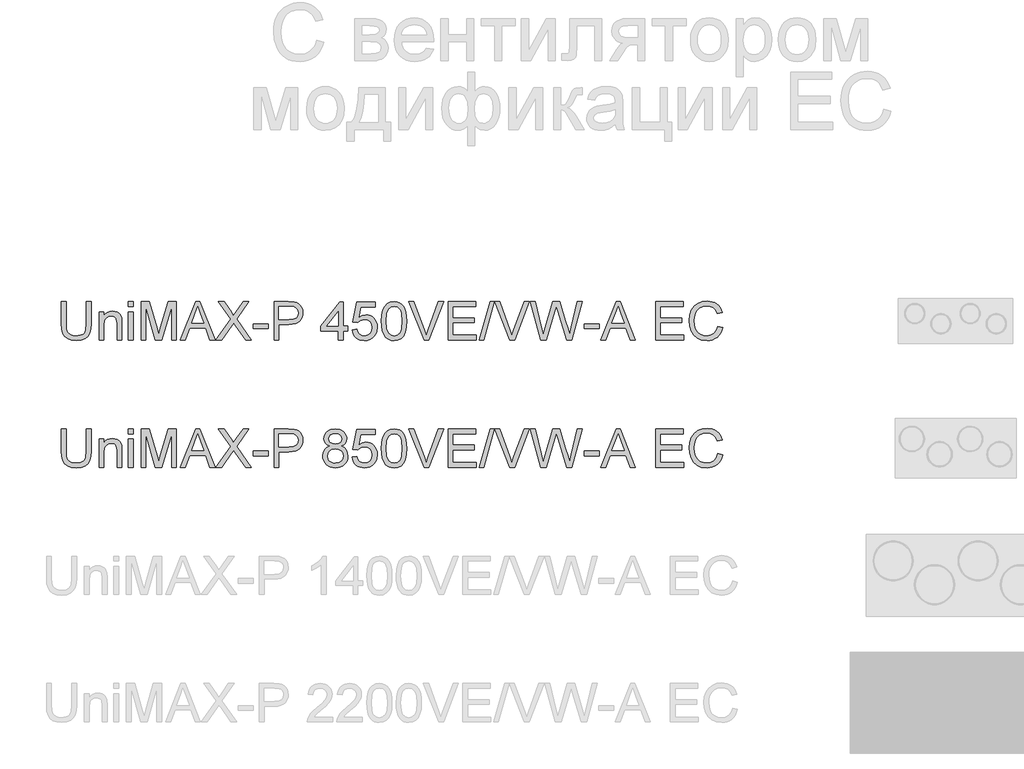
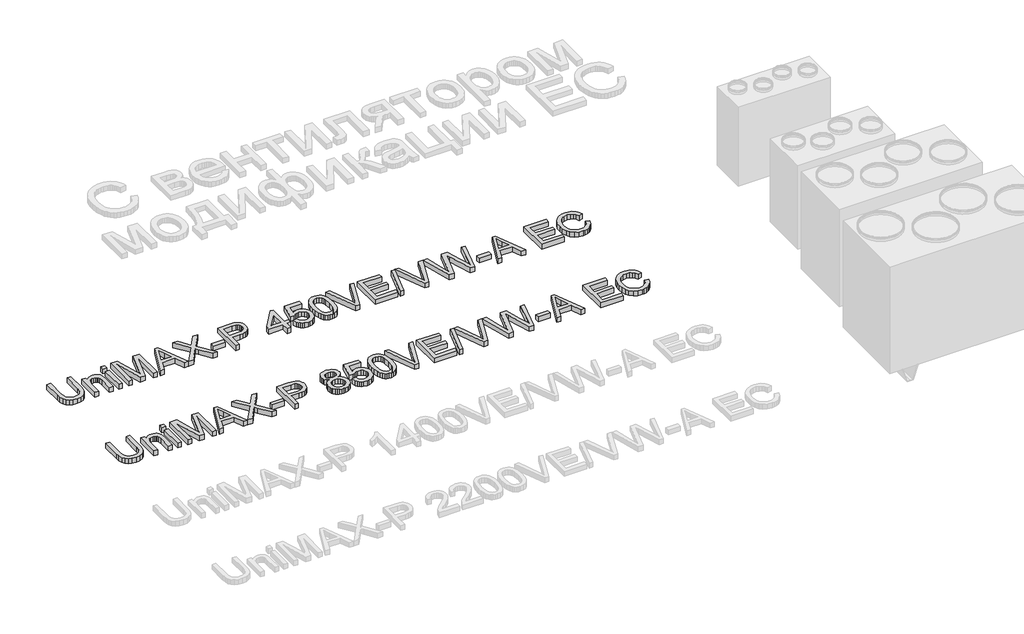
# One storey, part 3 of 74: 2 proxies.
"""IFC4 building model written with IfcOpenShell, lengths in millimetres."""

import ifcopenshell
import ifcopenshell.guid

model = None  # the IFC model being written
_history = None  # IfcOwnerHistory: only IFC2X3 demands one
_inside = {}  # id of a spatial element -> (the spatial element, [elements in it])
_under = {}  # id of a project, library or spatial element -> (it, [spatial elements below it])
_declared = {}  # id of a project -> (the project, [libraries it declares])
_typed = {}  # id of a type object -> (the type object, [elements of that type])
_made_of = {}  # id of a material, layer set ... -> (it, [elements and type objects made of it])


def new_model(schema):
    """Start an empty IFC model of exactly this schema.

    Asked for "IFC4X3", IfcOpenShell would pick the latest addendum, in which some entities
    have other attributes; the version numbers below select the first issue.
    IFC2X3 requires an IfcOwnerHistory on every rooted entity: one is made here for all.
    """
    global model, _history
    if schema == "IFC4X3":
        model = ifcopenshell.file(schema_version=(4, 3, 0, 0))
    else:
        model = ifcopenshell.file(schema=schema)
    _inside.clear()
    _under.clear()
    _declared.clear()
    _typed.clear()
    _made_of.clear()
    _history = None
    if model.schema == "IFC2X3":
        org = make("IfcOrganization", Name="unknown")
        user = make(
            "IfcPersonAndOrganization",
            ThePerson=make("IfcPerson", FamilyName="unknown"),
            TheOrganization=org,
        )
        app = make(
            "IfcApplication",
            ApplicationDeveloper=org,
            Version="unknown",
            ApplicationFullName="unknown",
            ApplicationIdentifier="unknown",
        )
        _history = make(
            "IfcOwnerHistory",
            OwningUser=user,
            OwningApplication=app,
            ChangeAction="ADDED",
            CreationDate=0,
        )
    return model


def make(cls, **values):
    """One entity of the class cls with the attributes given. An attribute that is None is left unset."""
    return model.create_entity(
        cls, **{name: value for name, value in values.items() if value is not None}
    )


def rooted(cls, **values):
    """An entity with a GlobalId (a new one), such as an element, a storey or a relation."""
    return make(cls, GlobalId=ifcopenshell.guid.new(), OwnerHistory=_history, **values)


def si_unit(unit_type, name, prefix=None):
    """IfcSIUnit, for example si_unit("LENGTHUNIT", "METRE", prefix="MILLI")."""
    return make("IfcSIUnit", UnitType=unit_type, Prefix=prefix, Name=name)


def assignment(units):
    """IfcUnitAssignment: the units of a project."""
    return None if units is None else make("IfcUnitAssignment", Units=units)


def point(xyz):
    """IfcCartesianPoint."""
    return None if xyz is None else make("IfcCartesianPoint", Coordinates=xyz)


def direction(xyz):
    """IfcDirection."""
    return None if xyz is None else make("IfcDirection", DirectionRatios=xyz)


def frame(location, z_axis=None, x_axis=None):
    """IfcAxis2Placement3D, a coordinate frame: its origin and axes. An axis left out is left unset."""
    return make(
        "IfcAxis2Placement3D",
        Location=point(location),
        Axis=direction(z_axis),
        RefDirection=direction(x_axis),
    )


def origin():
    """The frame at (0, 0, 0) with its axes left unset."""
    return frame((0.0, 0.0, 0.0))


def origin_with_axes():
    """The frame at (0, 0, 0) with the z axis (0, 0, 1) and the x axis (1, 0, 0) written out."""
    return frame((0.0, 0.0, 0.0), z_axis=(0.0, 0.0, 1.0), x_axis=(1.0, 0.0, 0.0))


def place(relative_to, where):
    """IfcLocalPlacement: puts the frame where relative to a parent placement (None: the world)."""
    return make(
        "IfcLocalPlacement", PlacementRelTo=relative_to, RelativePlacement=where
    )


def context(
    kind, dimensions, precision=None, world=None, true_north=None, identifier=None
):
    """IfcGeometricRepresentationContext, for example the 3D "Model" context."""
    return make(
        "IfcGeometricRepresentationContext",
        ContextIdentifier=identifier,
        ContextType=kind,
        CoordinateSpaceDimension=dimensions,
        Precision=precision,
        WorldCoordinateSystem=world,
        TrueNorth=true_north,
    )


def project(units=None, contexts=None):
    """IfcProject with its units and contexts."""
    return rooted(
        "IfcProject",
        Name="project",
        RepresentationContexts=contexts,
        UnitsInContext=assignment(units),
    )


def spatial(cls, under=None, at=None, **own):
    """A site, building, storey or space (cls), placed at a placement, below another one or the project."""
    s = rooted(cls, ObjectPlacement=at, **own)
    if under is not None:
        _under.setdefault(under.id(), (under, []))[1].append(s)
    return s


def polyline(points):
    """IfcPolyline through the points."""
    return make("IfcPolyline", Points=[point(p) for p in points])


def outline(outer, holes=None, kind="AREA"):
    """IfcArbitraryClosedProfileDef: a profile drawn as a closed curve; with holes, ...WithVoids."""
    if holes is None:
        return make("IfcArbitraryClosedProfileDef", ProfileType=kind, OuterCurve=outer)
    return make(
        "IfcArbitraryProfileDefWithVoids",
        ProfileType=kind,
        OuterCurve=outer,
        InnerCurves=holes,
    )


def extrude(swept, where, along, depth):
    """IfcExtrudedAreaSolid: the profile swept, set in the frame where, extruded along a direction by depth."""
    return make(
        "IfcExtrudedAreaSolid",
        SweptArea=swept,
        Position=where,
        ExtrudedDirection=direction(along),
        Depth=depth,
    )


def shape(context_of_items, identifier, shape_type, items):
    """IfcShapeRepresentation: the items that make up one representation, for example the "Body"."""
    return make(
        "IfcShapeRepresentation",
        ContextOfItems=context_of_items,
        RepresentationIdentifier=identifier,
        RepresentationType=shape_type,
        Items=items,
    )


def made_of(thing, what):
    """Note that an element or type object is made of a material, layer set ...; save() writes the relation."""
    if what is not None:
        _made_of.setdefault(what.id(), (what, []))[1].append(thing)
    return thing


def element(
    cls,
    number,
    at=None,
    inside=None,
    cuts=None,
    type_object=None,
    material=None,
    context=None,
    identifier="Body",
    shape_type=None,
    held_by="IfcProductDefinitionShape",
    body=None,
    shapes=None,
    **own,
):
    """One element of the class cls, such as IfcWall. Its Tag is "e" and its number.

    at: its placement. inside: the storey or other place that contains it. cuts: it is an
    opening in that element (IfcRelVoidsElement). A single representation is given by context,
    identifier, shape_type and body (its items); several are given by shapes. held_by: the class
    of the entity that holds the representations. save() writes the other relations.
    """
    e = rooted(cls, Tag="e%d" % number, ObjectPlacement=at, **own)
    if body is not None:
        shapes = [shape(context, identifier, shape_type, body)]
    if shapes is not None:
        e.Representation = make(held_by, Representations=shapes)
    if inside is not None:
        _inside.setdefault(inside.id(), (inside, []))[1].append(e)
    if cuts is not None:
        rooted(
            "IfcRelVoidsElement", RelatingBuildingElement=cuts, RelatedOpeningElement=e
        )
    if type_object is not None:
        _typed.setdefault(type_object.id(), (type_object, []))[1].append(e)
    return made_of(e, material)


def aggregate(whole, parts):
    """IfcRelAggregates: a whole, such as a stair, and the parts it consists of."""
    return rooted("IfcRelAggregates", RelatingObject=whole, RelatedObjects=parts)


def save(model, path):
    """Write the relations noted so far, then the file.

    IfcRelAggregates (storeys below a building ...), IfcRelContainedInSpatialStructure (elements
    in a storey), IfcRelDefinesByType, IfcRelAssociatesMaterial and IfcRelDeclares: one each for
    every whole, place, type object, material and project.
    """
    for whole, parts in _under.values():
        aggregate(whole, parts)
    for where, things in _inside.values():
        rooted(
            "IfcRelContainedInSpatialStructure",
            RelatedElements=things,
            RelatingStructure=where,
        )
    for kind, things in _typed.values():
        rooted("IfcRelDefinesByType", RelatedObjects=things, RelatingType=kind)
    for what, things in _made_of.values():
        rooted("IfcRelAssociatesMaterial", RelatedObjects=things, RelatingMaterial=what)
    for by, libraries in _declared.values():
        rooted("IfcRelDeclares", RelatingContext=by, RelatedDefinitions=libraries)
    model.write(path)


model = new_model("IFC4")

# Units and contexts
model_context = context("Model", 3, world=origin())
ifc_project = project(units=[si_unit("LENGTHUNIT", "METRE", prefix="MILLI")], contexts=[model_context])

# Site, building, storey
site = spatial("IfcSite", under=ifc_project)
building = spatial("IfcBuilding", under=site)
storey = spatial("IfcBuildingStorey", under=building, Elevation=0.0)

# Proxies
placement = place(None, origin())
element("IfcBuildingElementProxy", 1, Name="Generic Models", at=placement, inside=storey, context=model_context, shape_type="SweptSolid", body=[
    extrude(outline(polyline([(11655.8927797, -35731.9528304), (11693.563896, -35731.9528304), (11693.563896, -35905.8138613), (11691.0071161, -35946.5292011), (11683.3367765, -35977.8819441), (11669.0077728, -36002.0701853), (11646.4750006, -36021.2920196), (11615.6832776, -36033.8459926), (11576.5774215, -36038.0306503), (11538.3268911, -36034.3886186), (11507.7467002, -36023.4625233), (11484.8276519, -36005.6294436), (11469.5605491, -35981.2664585), (11460.9797016, -35948.5893403), (11458.1194191, -35905.8138613), (11458.1194191, -35731.9528304), (11495.7905354, -35731.9528304), (11495.7905354, -35904.4894861), (11497.6483395, -35938.3438267), (11503.2217517, -35961.9158655), (11513.3201125, -35978.2406291), (11528.7527622, -35990.3531438), (11548.8759073, -35997.8579365), (11573.0457544, -36000.359534), (11611.3606642, -35995.4115212), (11625.7034635, -35989.2265052), (11636.8364923, -35980.5674827), (11645.1736181, -35968.3905887), (11651.1287079, -35951.6519579), (11655.8927797, -35904.4894861), (11655.8927797, -35731.9528304)])), origin_with_axes(), (0.0, 0.0, 1.0), 50.0),
    extrude(outline(polyline([(11754.77946, -36033.3217608), (11754.77946, -35812.0039525), (11792.4505763, -35812.0039525), (11792.4505763, -35842.9060401), (11805.5379783, -35827.3262376), (11821.2557365, -35816.1978072), (11839.603851, -35809.520749), (11860.5823218, -35807.295063), (11879.1511655, -35809.0884877), (11896.1565107, -35814.4687619), (11910.3383617, -35822.7645009), (11920.4367224, -35833.30432), (11931.7306997, -35861.0058343), (11933.7172625, -35897.4261518), (11933.7172625, -36033.3217608), (11896.0461462, -36033.3217608), (11896.0461462, -35902.5029233), (11891.7051386, -35869.1728146), (11885.699465, -35859.2491977), (11876.3644594, -35851.551267), (11864.3990975, -35846.6124512), (11850.5023551, -35844.9661793), (11828.4386325, -35848.6633933), (11809.6306655, -35859.7550355), (11802.1143765, -35868.8095311), (11796.7455986, -35881.1841617), (11792.4505763, -35915.8938279), (11792.4505763, -36033.3217608), (11754.77946, -36033.3217608)])), origin_with_axes(), (0.0, 0.0, 1.0), 50.0),
    extrude(outline(polyline([(11985.5150474, -36033.3217608), (11985.5150474, -35812.0039525), (12023.1861637, -35812.0039525), (12023.1861637, -36033.3217608), (11985.5150474, -36033.3217608)])), origin_with_axes(), (0.0, 0.0, 1.0), 50.0),
    extrude(outline(polyline([(11985.5150474, -35769.6239467), (11985.5150474, -35731.9528304), (12023.1861637, -35731.9528304), (12023.1861637, -35769.6239467), (11985.5150474, -35769.6239467)])), origin_with_axes(), (0.0, 0.0, 1.0), 50.0),
    extrude(outline(polyline([(12084.4017277, -36033.3217608), (12084.4017277, -35731.9528304), (12149.2225352, -35731.9528304), (12210.8795576, -35944.3678944), (12223.3139691, -35988.734463), (12236.7784501, -35940.6890744), (12297.4054029, -35731.9528304), (12362.2262104, -35731.9528304), (12362.2262104, -36033.3217608), (12324.5550941, -36033.3217608), (12324.5550941, -35769.6239467), (12248.8449795, -36033.3217608), (12197.7829586, -36033.3217608), (12122.072844, -35769.6239467), (12122.072844, -36033.3217608), (12084.4017277, -36033.3217608)])), origin_with_axes(), (0.0, 0.0, 1.0), 50.0),
    extrude(outline(polyline([(12393.0547216, -36033.3217608), (12513.3521341, -35731.9528304), (12545.431444, -35731.9528304), (12665.7288565, -36033.3217608), (12625.9240246, -36033.3217608), (12591.4166934, -35939.14397), (12467.2933083, -35939.14397), (12432.8595535, -36033.3217608), (12393.0547216, -36033.3217608)]), holes=[polyline([(12481.1256713, -35901.4728537), (12577.6579068, -35901.4728537), (12550.5082156, -35827.3814199), (12529.391789, -35769.6239467), (12510.6298073, -35820.9066968), (12481.1256713, -35901.4728537)])]), origin_with_axes(), (0.0, 0.0, 1.0), 50.0),
    extrude(outline(polyline([(12673.01292, -36033.3217608), (12789.190054, -35869.0992382), (12691.8484781, -35731.9528304), (12737.0243871, -35731.9528304), (12791.8388044, -35809.1344729), (12810.3064806, -35839.2272201), (12831.9379419, -35808.6194381), (12886.163748, -35731.9528304), (12932.0018446, -35731.9528304), (12834.6602686, -35869.5406965), (12950.8374027, -36033.3217608), (12905.6614937, -36033.3217608), (12828.2591219, -35924.1343846), (12812.1458905, -35901.4728537), (12794.4139784, -35926.3416766), (12718.8510166, -36033.3217608), (12673.01292, -36033.3217608)])), origin_with_axes(), (0.0, 0.0, 1.0), 50.0),
    extrude(outline(polyline([(12964.9640713, -35943.8528596), (12964.9640713, -35906.1817433), (13082.6863098, -35906.1817433), (13082.6863098, -35943.8528596), (12964.9640713, -35943.8528596)])), origin_with_axes(), (0.0, 0.0, 1.0), 50.0),
    extrude(outline(polyline([(13129.7752052, -36033.3217608), (13129.7752052, -35731.9528304), (13241.4641789, -35731.9528304), (13286.4929351, -35734.8223099), (13306.570095, -35740.18419), (13323.0971936, -35748.9121903), (13336.4053248, -35761.4017841), (13346.8255823, -35778.0484443), (13353.5578228, -35797.6841458), (13355.801903, -35819.1408632), (13354.286689, -35837.640729), (13349.7410471, -35854.6598698), (13342.1649773, -35870.1982856), (13331.5584795, -35884.2559764), (13316.9972503, -35895.9086386), (13297.5569861, -35904.2319687), (13273.237687, -35909.2259668), (13244.0393529, -35910.8906328), (13167.4463215, -35910.8906328), (13167.4463215, -36033.3217608), (13129.7752052, -36033.3217608)]), holes=[polyline([(13167.4463215, -35873.2195165), (13246.2466448, -35873.2195165), (13279.65033, -35869.7614257), (13301.7232497, -35859.3871535), (13314.0289025, -35842.7404932), (13318.1307867, -35820.4652384), (13315.7119626, -35803.5426666), (13308.4554902, -35789.2688452), (13297.2626805, -35778.5266909), (13283.0348444, -35772.1991206), (13245.3637281, -35769.6239467), (13167.4463215, -35769.6239467), (13167.4463215, -35873.2195165)])]), origin_with_axes(), (0.0, 0.0, 1.0), 50.0),
    extrude(outline(polyline([(13633.6263858, -36033.3217608), (13633.6263858, -35962.6884177), (13497.0685892, -35962.6884177), (13497.0685892, -35925.0173014), (13643.0441648, -35736.6617199), (13671.2975021, -35736.6617199), (13671.2975021, -35925.0173014), (13708.9686184, -35925.0173014), (13708.9686184, -35962.6884177), (13671.2975021, -35962.6884177), (13671.2975021, -36033.3217608), (13633.6263858, -36033.3217608)]), holes=[polyline([(13633.6263858, -35925.0173014), (13633.6263858, -35808.6194381), (13543.4217206, -35925.0173014), (13633.6263858, -35925.0173014)])]), origin_with_axes(), (0.0, 0.0, 1.0), 50.0),
    extrude(outline(polyline([(13741.9308451, -35953.2706387), (13779.6019615, -35948.5617491), (13786.518143, -35971.1772948), (13798.5846724, -35987.3732996), (13815.7463675, -35997.1129754), (13837.9480459, -36000.359534), (13864.9505843, -35995.8437825), (13885.1840941, -35982.2965281), (13897.8208406, -35961.2812691), (13902.0330895, -35934.3615041), (13898.0875551, -35909.0144346), (13886.2509519, -35889.6270535), (13866.4313094, -35877.3214007), (13838.5366571, -35873.2195165), (13820.262119, -35874.8565914), (13805.4640657, -35879.767816), (13784.310851, -35896.7639642), (13746.6397347, -35892.0550747), (13779.6019615, -35736.6617199), (13925.5775371, -35736.6617199), (13925.5775371, -35774.3328362), (13810.0625907, -35774.3328362), (13793.9493593, -35857.3270143), (13820.8599272, -35840.9930537), (13849.0580821, -35835.5484002), (13867.4038974, -35837.2360588), (13884.255192, -35842.2990348), (13899.6119661, -35850.7373281), (13913.4742195, -35862.5509386), (13924.9498385, -35877.0178981), (13933.1467092, -35893.416238), (13938.0648316, -35911.7459584), (13939.7042058, -35932.0070593), (13933.7996997, -35969.6781756), (13926.4190672, -35986.4719887), (13916.0861817, -36001.9046384), (13900.4328028, -36017.7097686), (13882.1674617, -36028.9991474), (13861.2901585, -36035.7727746), (13837.8008931, -36038.0306503), (13800.8011614, -36032.2273119), (13785.1224906, -36024.9731388), (13771.3246166, -36014.8172964), (13759.8443991, -36002.2656226), (13751.118698, -35987.823955), (13741.9308451, -35953.2706387)])), origin_with_axes(), (0.0, 0.0, 1.0), 50.0),
    extrude(outline(polyline([(13972.6664325, -35885.0653167), (13975.4347445, -35836.8267901), (13983.7396806, -35798.3555305), (13997.4984672, -35769.0629266), (14016.6283309, -35748.3603673), (14041.2672276, -35736.0547146), (14071.5531128, -35731.9528304), (14094.7664667, -35734.3808515), (14115.5517995, -35741.664915), (14132.9342237, -35753.5199123), (14145.9388523, -35769.6607349), (14155.7613015, -35789.9494269), (14163.597188, -35814.2480327), (14168.7291419, -35845.104135), (14170.4397931, -35885.0653167), (14167.6990723, -35933.0279319), (14159.4769097, -35971.407221), (14145.8008965, -36000.727416), (14126.6986239, -36021.5127488), (14102.004545, -36033.9011749), (14071.5531128, -36038.0306503), (14050.8045683, -36036.2372256), (14032.4104685, -36030.8569514), (14016.3708136, -36021.8898278), (14002.6856033, -36009.3358547), (13989.5522161, -35986.6421341), (13980.1712252, -35958.3658043), (13974.5426307, -35924.5068652), (13972.6664325, -35885.0653167)]), holes=[polyline([(14010.3375488, -35884.9917403), (14014.7521328, -35944.2483327), (14020.2703627, -35964.5163314), (14027.9958846, -35978.5441317), (14047.7143595, -35994.9056835), (14071.5531128, -36000.359534), (14095.3918661, -35994.8872894), (14115.1103411, -35978.4705553), (14122.835863, -35964.4197624), (14128.3540929, -35944.1563622), (14132.7686768, -35884.9917403), (14128.5012457, -35827.0687202), (14123.1669568, -35806.8674001), (14115.6989522, -35792.5062068), (14096.0172655, -35775.3445117), (14071.1116544, -35769.6239467), (14047.5304185, -35774.66393), (14028.5844958, -35789.78388), (14020.6014565, -35805.4188648), (14014.8992856, -35826.4985031), (14010.3375488, -35884.9917403)])]), origin_with_axes(), (0.0, 0.0, 1.0), 50.0),
    extrude(outline(polyline([(14306.5561313, -36033.3217608), (14186.6266009, -35731.9528304), (14226.9464676, -35731.9528304), (14307.2183189, -35949.0767839), (14323.4787031, -35998.0050893), (14339.5183581, -35949.0767839), (14420.0109387, -35731.9528304), (14460.3308053, -35731.9528304), (14345.4780464, -36033.3217608), (14306.5561313, -36033.3217608)])), origin_with_axes(), (0.0, 0.0, 1.0), 50.0),
    extrude(outline(polyline([(14495.3531713, -36033.3217608), (14495.3531713, -35731.9528304), (14711.96209, -35731.9528304), (14711.96209, -35769.6239467), (14533.0242876, -35769.6239467), (14533.0242876, -35859.0928479), (14702.544311, -35859.0928479), (14702.544311, -35896.7639642), (14533.0242876, -35896.7639642), (14533.0242876, -35995.6506445), (14716.6709796, -35995.6506445), (14716.6709796, -36033.3217608), (14495.3531713, -36033.3217608)])), origin_with_axes(), (0.0, 0.0, 1.0), 50.0),
    extrude(outline(polyline([(14740.2154273, -36033.3217608), (14824.975439, -35731.9528304), (14858.9677353, -35731.9528304), (14774.2077236, -36033.3217608), (14740.2154273, -36033.3217608)])), origin_with_axes(), (0.0, 0.0, 1.0), 50.0),
    extrude(outline(polyline([(14979.9273353, -36033.3217608), (14859.9978049, -35731.9528304), (14900.3176716, -35731.9528304), (14980.5895229, -35949.0767839), (14996.8499071, -35998.0050893), (15012.8895621, -35949.0767839), (15093.3821426, -35731.9528304), (15133.7020093, -35731.9528304), (15018.8492504, -36033.3217608), (14979.9273353, -36033.3217608)])), origin_with_axes(), (0.0, 0.0, 1.0), 50.0),
    extrude(outline(polyline([(15222.6558757, -36033.3217608), (15140.471038, -35731.9528304), (15179.3193767, -35731.9528304), (15226.9968833, -35930.0204966), (15241.7121631, -35991.1624842), (15257.4575125, -35937.0838309), (15317.2015485, -35731.9528304), (15373.1931882, -35731.9528304), (15416.6032636, -35880.6507328), (15435.1996984, -35935.8330321), (15448.9033028, -35991.1624842), (15463.1771242, -35931.7863301), (15511.2960892, -35731.9528304), (15550.1444278, -35731.9528304), (15467.8860137, -36033.3217608), (15427.6397234, -36033.3217608), (15355.3876996, -35800.8203398), (15345.3077329, -35768.3731479), (15333.9769675, -35807.4422158), (15268.1260903, -36033.3217608), (15222.6558757, -36033.3217608)])), origin_with_axes(), (0.0, 0.0, 1.0), 50.0),
    extrude(outline(polyline([(15564.2710965, -35943.8528596), (15564.2710965, -35906.1817433), (15681.9933349, -35906.1817433), (15681.9933349, -35943.8528596), (15564.2710965, -35943.8528596)])), origin_with_axes(), (0.0, 0.0, 1.0), 50.0),
    extrude(outline(polyline([(15693.986288, -36033.3217608), (15814.2837004, -35731.9528304), (15846.3630104, -35731.9528304), (15966.6604228, -36033.3217608), (15926.8555909, -36033.3217608), (15892.3482598, -35939.14397), (15768.2248746, -35939.14397), (15733.7911198, -36033.3217608), (15693.986288, -36033.3217608)]), holes=[polyline([(15782.0572376, -35901.4728537), (15878.5894731, -35901.4728537), (15851.4397819, -35827.3814199), (15830.3233554, -35769.6239467), (15811.5613736, -35820.9066968), (15782.0572376, -35901.4728537)])]), origin_with_axes(), (0.0, 0.0, 1.0), 50.0),
    extrude(outline(polyline([(16124.6289515, -36033.3217608), (16124.6289515, -35731.9528304), (16341.2378703, -35731.9528304), (16341.2378703, -35769.6239467), (16162.3000678, -35769.6239467), (16162.3000678, -35859.0928479), (16331.8200912, -35859.0928479), (16331.8200912, -35896.7639642), (16162.3000678, -35896.7639642), (16162.3000678, -35995.6506445), (16345.9467598, -35995.6506445), (16345.9467598, -36033.3217608), (16124.6289515, -36033.3217608)])), origin_with_axes(), (0.0, 0.0, 1.0), 50.0),
    extrude(outline(polyline([(16614.3534635, -35926.1945238), (16652.0245798, -35935.9066085), (16644.5703709, -35959.3337938), (16634.6421555, -35979.8041276), (16622.2399338, -35997.3176098), (16607.3637056, -36011.8742405), (16590.3491633, -36023.3176698), (16571.5319993, -36031.4915479), (16550.9122134, -36036.3958747), (16528.4898058, -36038.0306503), (16484.7946218, -36033.0826375), (16450.0941526, -36018.238599), (16423.4962844, -35994.0135696), (16404.1089032, -35960.9225842), (16392.2723001, -35922.0190632), (16388.3267657, -35880.3564272), (16392.7873348, -35836.4129229), (16406.1690424, -35798.4658951), (16427.7729126, -35767.7201573), (16456.8999696, -35745.3805232), (16491.4440889, -35731.7780864), (16529.2991462, -35727.2439408), (16570.6030972, -35733.1116586), (16588.5718334, -35740.4463059), (16604.7517434, -35750.7148121), (16618.8761128, -35763.6458642), (16630.678227, -35778.9681493), (16647.3156903, -35816.7864184), (16609.644574, -35825.7627391), (16596.5847631, -35798.2911511), (16578.7424864, -35779.4463959), (16555.8970145, -35768.5478918), (16527.8276182, -35764.9150571), (16495.4723967, -35768.943365), (16468.8929226, -35781.0282885), (16448.7237922, -35799.9006349), (16435.599602, -35824.2912111), (16428.398312, -35851.8639667), (16425.997882, -35880.2828508), (16428.8397704, -35915.0844876), (16437.3654356, -35945.1772348), (16451.8967744, -35969.4114612), (16472.7556835, -35986.6375356), (16497.7624622, -35996.9290344), (16524.7374095, -36000.359534), (16556.182123, -35995.6874327), (16582.3845181, -35981.6711287), (16602.1673724, -35958.4577748), (16614.3534635, -35926.1945238)])), origin_with_axes(), (0.0, 0.0, 1.0), 50.0),
])
element("IfcBuildingElementProxy", 2, Name="Generic Models", at=placement, inside=storey, context=model_context, shape_type="SweptSolid", body=[
    extrude(outline(polyline([(11655.8927797, -36731.9528304), (11693.563896, -36731.9528304), (11693.563896, -36905.8138613), (11691.0071161, -36946.5292011), (11683.3367765, -36977.8819441), (11669.0077728, -37002.0701853), (11646.4750006, -37021.2920196), (11615.6832776, -37033.8459926), (11576.5774215, -37038.0306503), (11538.3268911, -37034.3886186), (11507.7467002, -37023.4625233), (11484.8276519, -37005.6294436), (11469.5605491, -36981.2664585), (11460.9797016, -36948.5893403), (11458.1194191, -36905.8138613), (11458.1194191, -36731.9528304), (11495.7905354, -36731.9528304), (11495.7905354, -36904.4894861), (11497.6483395, -36938.3438267), (11503.2217517, -36961.9158655), (11513.3201125, -36978.2406291), (11528.7527622, -36990.3531438), (11548.8759073, -36997.8579365), (11573.0457544, -37000.359534), (11611.3606642, -36995.4115212), (11625.7034635, -36989.2265052), (11636.8364923, -36980.5674827), (11645.1736181, -36968.3905887), (11651.1287079, -36951.6519579), (11655.8927797, -36904.4894861), (11655.8927797, -36731.9528304)])), origin_with_axes(), (0.0, 0.0, 1.0), 50.0),
    extrude(outline(polyline([(11754.77946, -37033.3217608), (11754.77946, -36812.0039525), (11792.4505763, -36812.0039525), (11792.4505763, -36842.9060401), (11805.5379783, -36827.3262376), (11821.2557365, -36816.1978072), (11839.603851, -36809.520749), (11860.5823218, -36807.295063), (11879.1511655, -36809.0884877), (11896.1565107, -36814.4687619), (11910.3383617, -36822.7645009), (11920.4367224, -36833.30432), (11931.7306997, -36861.0058343), (11933.7172625, -36897.4261518), (11933.7172625, -37033.3217608), (11896.0461462, -37033.3217608), (11896.0461462, -36902.5029233), (11891.7051386, -36869.1728146), (11885.699465, -36859.2491977), (11876.3644594, -36851.551267), (11864.3990975, -36846.6124512), (11850.5023551, -36844.9661793), (11828.4386325, -36848.6633933), (11809.6306655, -36859.7550355), (11802.1143765, -36868.8095311), (11796.7455986, -36881.1841617), (11792.4505763, -36915.8938279), (11792.4505763, -37033.3217608), (11754.77946, -37033.3217608)])), origin_with_axes(), (0.0, 0.0, 1.0), 50.0),
    extrude(outline(polyline([(11985.5150474, -37033.3217608), (11985.5150474, -36812.0039525), (12023.1861637, -36812.0039525), (12023.1861637, -37033.3217608), (11985.5150474, -37033.3217608)])), origin_with_axes(), (0.0, 0.0, 1.0), 50.0),
    extrude(outline(polyline([(11985.5150474, -36769.6239467), (11985.5150474, -36731.9528304), (12023.1861637, -36731.9528304), (12023.1861637, -36769.6239467), (11985.5150474, -36769.6239467)])), origin_with_axes(), (0.0, 0.0, 1.0), 50.0),
    extrude(outline(polyline([(12084.4017277, -37033.3217608), (12084.4017277, -36731.9528304), (12149.2225352, -36731.9528304), (12210.8795576, -36944.3678944), (12223.3139691, -36988.734463), (12236.7784501, -36940.6890744), (12297.4054029, -36731.9528304), (12362.2262104, -36731.9528304), (12362.2262104, -37033.3217608), (12324.5550941, -37033.3217608), (12324.5550941, -36769.6239467), (12248.8449795, -37033.3217608), (12197.7829586, -37033.3217608), (12122.072844, -36769.6239467), (12122.072844, -37033.3217608), (12084.4017277, -37033.3217608)])), origin_with_axes(), (0.0, 0.0, 1.0), 50.0),
    extrude(outline(polyline([(12393.0547216, -37033.3217608), (12513.3521341, -36731.9528304), (12545.431444, -36731.9528304), (12665.7288565, -37033.3217608), (12625.9240246, -37033.3217608), (12591.4166934, -36939.14397), (12467.2933083, -36939.14397), (12432.8595535, -37033.3217608), (12393.0547216, -37033.3217608)]), holes=[polyline([(12481.1256713, -36901.4728537), (12577.6579068, -36901.4728537), (12550.5082156, -36827.3814199), (12529.391789, -36769.6239467), (12510.6298073, -36820.9066968), (12481.1256713, -36901.4728537)])]), origin_with_axes(), (0.0, 0.0, 1.0), 50.0),
    extrude(outline(polyline([(12673.01292, -37033.3217608), (12789.190054, -36869.0992382), (12691.8484781, -36731.9528304), (12737.0243871, -36731.9528304), (12791.8388044, -36809.1344729), (12810.3064806, -36839.2272201), (12831.9379419, -36808.6194381), (12886.163748, -36731.9528304), (12932.0018446, -36731.9528304), (12834.6602686, -36869.5406965), (12950.8374027, -37033.3217608), (12905.6614937, -37033.3217608), (12828.2591219, -36924.1343846), (12812.1458905, -36901.4728537), (12794.4139784, -36926.3416766), (12718.8510166, -37033.3217608), (12673.01292, -37033.3217608)])), origin_with_axes(), (0.0, 0.0, 1.0), 50.0),
    extrude(outline(polyline([(12964.9640713, -36943.8528596), (12964.9640713, -36906.1817433), (13082.6863098, -36906.1817433), (13082.6863098, -36943.8528596), (12964.9640713, -36943.8528596)])), origin_with_axes(), (0.0, 0.0, 1.0), 50.0),
    extrude(outline(polyline([(13129.7752052, -37033.3217608), (13129.7752052, -36731.9528304), (13241.4641789, -36731.9528304), (13286.4929351, -36734.8223099), (13306.570095, -36740.18419), (13323.0971936, -36748.9121903), (13336.4053248, -36761.4017841), (13346.8255823, -36778.0484443), (13353.5578228, -36797.6841458), (13355.801903, -36819.1408632), (13354.286689, -36837.640729), (13349.7410471, -36854.6598698), (13342.1649773, -36870.1982856), (13331.5584795, -36884.2559764), (13316.9972503, -36895.9086386), (13297.5569861, -36904.2319687), (13273.237687, -36909.2259668), (13244.0393529, -36910.8906328), (13167.4463215, -36910.8906328), (13167.4463215, -37033.3217608), (13129.7752052, -37033.3217608)]), holes=[polyline([(13167.4463215, -36873.2195165), (13246.2466448, -36873.2195165), (13279.65033, -36869.7614257), (13301.7232497, -36859.3871535), (13314.0289025, -36842.7404932), (13318.1307867, -36820.4652384), (13315.7119626, -36803.5426666), (13308.4554902, -36789.2688452), (13297.2626805, -36778.5266909), (13283.0348444, -36772.1991206), (13245.3637281, -36769.6239467), (13167.4463215, -36769.6239467), (13167.4463215, -36873.2195165)])]), origin_with_axes(), (0.0, 0.0, 1.0), 50.0),
    extrude(outline(polyline([(13566.0832515, -36867.3334046), (13545.9141211, -36857.4005907), (13531.7598613, -36843.9361097), (13523.399743, -36827.215873), (13520.6130369, -36807.5157922), (13522.1305501, -36792.1521203), (13526.6830898, -36778.0668384), (13534.2706559, -36765.2599465), (13544.8932485, -36753.7314445), (13558.0404313, -36744.2033008), (13573.2017681, -36737.3974839), (13609.5669033, -36731.9528304), (13646.1527677, -36737.5262426), (13661.4796513, -36744.4930079), (13674.8291692, -36754.2464793), (13685.6448999, -36766.000309), (13693.3704218, -36778.9681493), (13698.0057349, -36793.1500003), (13699.5508393, -36808.5458617), (13696.8009214, -36827.6113461), (13688.5511676, -36844.0464743), (13674.7096076, -36857.4281819), (13655.1842707, -36867.3334046), (13678.3700334, -36879.2803724), (13695.24662, -36896.8743288), (13705.5381188, -36919.2691452), (13708.9686184, -36945.6186932), (13707.2671642, -36964.4082661), (13702.1628015, -36981.6343405), (13693.6555303, -36997.2969164), (13681.7453507, -37011.3959939), (13667.0576621, -37023.0486561), (13650.2178638, -37031.3719862), (13631.2259558, -37036.3659843), (13610.0819381, -37038.0306503), (13588.9379204, -37036.3590865), (13569.9460124, -37031.3443951), (13553.1062141, -37022.986576), (13538.4185254, -37011.2856293), (13526.5083458, -36997.0876835), (13518.0010747, -36981.2388673), (13512.896712, -36963.7391807), (13511.1952578, -36944.5886236), (13514.7637131, -36917.2182031), (13525.4690792, -36894.703825), (13542.759533, -36877.8180414), (13566.0832515, -36867.3334046)]), holes=[polyline([(13548.8663741, -36943.2642484), (13555.1571562, -36971.6279502), (13563.8667624, -36983.7956472), (13577.4140169, -36992.8547413), (13593.6376129, -36998.4833359), (13610.3762437, -37000.359534), (13636.0176187, -36996.4139996), (13655.2578471, -36984.5773964), (13667.2875883, -36966.6523462), (13671.2975021, -36944.4414708), (13667.1588296, -36921.8535163), (13654.7428123, -36903.5329929), (13635.0611256, -36891.3928871), (13609.1254449, -36887.3461851), (13583.8427548, -36891.3377048), (13564.7956645, -36903.3122637), (13552.8486967, -36921.2832992), (13548.8663741, -36943.2642484)]), polyline([(13558.2841532, -36808.6194381), (13561.6226823, -36825.0637633), (13571.6382696, -36838.1971506), (13588.0366095, -36846.8055892), (13610.5233965, -36849.6750688), (13632.4859516, -36846.8239833), (13648.6359712, -36838.270727), (13658.568785, -36825.5787981), (13661.879723, -36810.3116953), (13658.4584204, -36794.4651784), (13648.1945128, -36781.3593823), (13631.823764, -36772.5578056), (13610.0819381, -36769.6239467), (13588.2021564, -36772.4934262), (13571.8589988, -36781.1018649), (13561.6778646, -36793.7202173), (13558.2841532, -36808.6194381)])]), origin_with_axes(), (0.0, 0.0, 1.0), 50.0),
    extrude(outline(polyline([(13741.9308451, -36953.2706387), (13779.6019615, -36948.5617491), (13786.518143, -36971.1772948), (13798.5846724, -36987.3732996), (13815.7463675, -36997.1129754), (13837.9480459, -37000.359534), (13864.9505843, -36995.8437825), (13885.1840941, -36982.2965281), (13897.8208406, -36961.2812691), (13902.0330895, -36934.3615041), (13898.0875551, -36909.0144346), (13886.2509519, -36889.6270535), (13866.4313094, -36877.3214007), (13838.5366571, -36873.2195165), (13820.262119, -36874.8565914), (13805.4640657, -36879.767816), (13784.310851, -36896.7639642), (13746.6397347, -36892.0550747), (13779.6019615, -36736.6617199), (13925.5775371, -36736.6617199), (13925.5775371, -36774.3328362), (13810.0625907, -36774.3328362), (13793.9493593, -36857.3270143), (13820.8599272, -36840.9930537), (13849.0580821, -36835.5484002), (13867.4038974, -36837.2360588), (13884.255192, -36842.2990348), (13899.6119661, -36850.7373281), (13913.4742195, -36862.5509386), (13924.9498385, -36877.0178981), (13933.1467092, -36893.416238), (13938.0648316, -36911.7459584), (13939.7042058, -36932.0070593), (13933.7996997, -36969.6781756), (13926.4190672, -36986.4719887), (13916.0861817, -37001.9046384), (13900.4328028, -37017.7097686), (13882.1674617, -37028.9991474), (13861.2901585, -37035.7727746), (13837.8008931, -37038.0306503), (13800.8011614, -37032.2273119), (13785.1224906, -37024.9731388), (13771.3246166, -37014.8172964), (13759.8443991, -37002.2656226), (13751.118698, -36987.823955), (13741.9308451, -36953.2706387)])), origin_with_axes(), (0.0, 0.0, 1.0), 50.0),
    extrude(outline(polyline([(13972.6664325, -36885.0653167), (13975.4347445, -36836.8267901), (13983.7396806, -36798.3555305), (13997.4984672, -36769.0629266), (14016.6283309, -36748.3603673), (14041.2672276, -36736.0547146), (14071.5531128, -36731.9528304), (14094.7664667, -36734.3808515), (14115.5517995, -36741.664915), (14132.9342237, -36753.5199123), (14145.9388523, -36769.6607349), (14155.7613015, -36789.9494269), (14163.597188, -36814.2480327), (14168.7291419, -36845.104135), (14170.4397931, -36885.0653167), (14167.6990723, -36933.0279319), (14159.4769097, -36971.407221), (14145.8008965, -37000.727416), (14126.6986239, -37021.5127488), (14102.004545, -37033.9011749), (14071.5531128, -37038.0306503), (14050.8045683, -37036.2372256), (14032.4104685, -37030.8569514), (14016.3708136, -37021.8898278), (14002.6856033, -37009.3358547), (13989.5522161, -36986.6421341), (13980.1712252, -36958.3658043), (13974.5426307, -36924.5068652), (13972.6664325, -36885.0653167)]), holes=[polyline([(14010.3375488, -36884.9917403), (14014.7521328, -36944.2483327), (14020.2703627, -36964.5163314), (14027.9958846, -36978.5441317), (14047.7143595, -36994.9056835), (14071.5531128, -37000.359534), (14095.3918661, -36994.8872894), (14115.1103411, -36978.4705553), (14122.835863, -36964.4197624), (14128.3540929, -36944.1563622), (14132.7686768, -36884.9917403), (14128.5012457, -36827.0687202), (14123.1669568, -36806.8674001), (14115.6989522, -36792.5062068), (14096.0172655, -36775.3445117), (14071.1116544, -36769.6239467), (14047.5304185, -36774.66393), (14028.5844958, -36789.78388), (14020.6014565, -36805.4188648), (14014.8992856, -36826.4985031), (14010.3375488, -36884.9917403)])]), origin_with_axes(), (0.0, 0.0, 1.0), 50.0),
    extrude(outline(polyline([(14306.5561313, -37033.3217608), (14186.6266009, -36731.9528304), (14226.9464676, -36731.9528304), (14307.2183189, -36949.0767839), (14323.4787031, -36998.0050893), (14339.5183581, -36949.0767839), (14420.0109387, -36731.9528304), (14460.3308053, -36731.9528304), (14345.4780464, -37033.3217608), (14306.5561313, -37033.3217608)])), origin_with_axes(), (0.0, 0.0, 1.0), 50.0),
    extrude(outline(polyline([(14495.3531713, -37033.3217608), (14495.3531713, -36731.9528304), (14711.96209, -36731.9528304), (14711.96209, -36769.6239467), (14533.0242876, -36769.6239467), (14533.0242876, -36859.0928479), (14702.544311, -36859.0928479), (14702.544311, -36896.7639642), (14533.0242876, -36896.7639642), (14533.0242876, -36995.6506445), (14716.6709796, -36995.6506445), (14716.6709796, -37033.3217608), (14495.3531713, -37033.3217608)])), origin_with_axes(), (0.0, 0.0, 1.0), 50.0),
    extrude(outline(polyline([(14740.2154273, -37033.3217608), (14824.975439, -36731.9528304), (14858.9677353, -36731.9528304), (14774.2077236, -37033.3217608), (14740.2154273, -37033.3217608)])), origin_with_axes(), (0.0, 0.0, 1.0), 50.0),
    extrude(outline(polyline([(14979.9273353, -37033.3217608), (14859.9978049, -36731.9528304), (14900.3176716, -36731.9528304), (14980.5895229, -36949.0767839), (14996.8499071, -36998.0050893), (15012.8895621, -36949.0767839), (15093.3821426, -36731.9528304), (15133.7020093, -36731.9528304), (15018.8492504, -37033.3217608), (14979.9273353, -37033.3217608)])), origin_with_axes(), (0.0, 0.0, 1.0), 50.0),
    extrude(outline(polyline([(15222.6558757, -37033.3217608), (15140.471038, -36731.9528304), (15179.3193767, -36731.9528304), (15226.9968833, -36930.0204966), (15241.7121631, -36991.1624842), (15257.4575125, -36937.0838309), (15317.2015485, -36731.9528304), (15373.1931882, -36731.9528304), (15416.6032636, -36880.6507328), (15435.1996984, -36935.8330321), (15448.9033028, -36991.1624842), (15463.1771242, -36931.7863301), (15511.2960892, -36731.9528304), (15550.1444278, -36731.9528304), (15467.8860137, -37033.3217608), (15427.6397234, -37033.3217608), (15355.3876996, -36800.8203398), (15345.3077329, -36768.3731479), (15333.9769675, -36807.4422158), (15268.1260903, -37033.3217608), (15222.6558757, -37033.3217608)])), origin_with_axes(), (0.0, 0.0, 1.0), 50.0),
    extrude(outline(polyline([(15564.2710965, -36943.8528596), (15564.2710965, -36906.1817433), (15681.9933349, -36906.1817433), (15681.9933349, -36943.8528596), (15564.2710965, -36943.8528596)])), origin_with_axes(), (0.0, 0.0, 1.0), 50.0),
    extrude(outline(polyline([(15693.986288, -37033.3217608), (15814.2837004, -36731.9528304), (15846.3630104, -36731.9528304), (15966.6604228, -37033.3217608), (15926.8555909, -37033.3217608), (15892.3482598, -36939.14397), (15768.2248746, -36939.14397), (15733.7911198, -37033.3217608), (15693.986288, -37033.3217608)]), holes=[polyline([(15782.0572376, -36901.4728537), (15878.5894731, -36901.4728537), (15851.4397819, -36827.3814199), (15830.3233554, -36769.6239467), (15811.5613736, -36820.9066968), (15782.0572376, -36901.4728537)])]), origin_with_axes(), (0.0, 0.0, 1.0), 50.0),
    extrude(outline(polyline([(16124.6289515, -37033.3217608), (16124.6289515, -36731.9528304), (16341.2378703, -36731.9528304), (16341.2378703, -36769.6239467), (16162.3000678, -36769.6239467), (16162.3000678, -36859.0928479), (16331.8200912, -36859.0928479), (16331.8200912, -36896.7639642), (16162.3000678, -36896.7639642), (16162.3000678, -36995.6506445), (16345.9467598, -36995.6506445), (16345.9467598, -37033.3217608), (16124.6289515, -37033.3217608)])), origin_with_axes(), (0.0, 0.0, 1.0), 50.0),
    extrude(outline(polyline([(16614.3534635, -36926.1945238), (16652.0245798, -36935.9066085), (16644.5703709, -36959.3337938), (16634.6421555, -36979.8041276), (16622.2399338, -36997.3176098), (16607.3637056, -37011.8742405), (16590.3491633, -37023.3176698), (16571.5319993, -37031.4915479), (16550.9122134, -37036.3958747), (16528.4898058, -37038.0306503), (16484.7946218, -37033.0826375), (16450.0941526, -37018.238599), (16423.4962844, -36994.0135696), (16404.1089032, -36960.9225842), (16392.2723001, -36922.0190632), (16388.3267657, -36880.3564272), (16392.7873348, -36836.4129229), (16406.1690424, -36798.4658951), (16427.7729126, -36767.7201573), (16456.8999696, -36745.3805232), (16491.4440889, -36731.7780864), (16529.2991462, -36727.2439408), (16570.6030972, -36733.1116586), (16588.5718334, -36740.4463059), (16604.7517434, -36750.7148121), (16618.8761128, -36763.6458642), (16630.678227, -36778.9681493), (16647.3156903, -36816.7864184), (16609.644574, -36825.7627391), (16596.5847631, -36798.2911511), (16578.7424864, -36779.4463959), (16555.8970145, -36768.5478918), (16527.8276182, -36764.9150571), (16495.4723967, -36768.943365), (16468.8929226, -36781.0282885), (16448.7237922, -36799.9006349), (16435.599602, -36824.2912111), (16428.398312, -36851.8639667), (16425.997882, -36880.2828508), (16428.8397704, -36915.0844876), (16437.3654356, -36945.1772348), (16451.8967744, -36969.4114612), (16472.7556835, -36986.6375356), (16497.7624622, -36996.9290344), (16524.7374095, -37000.359534), (16556.182123, -36995.6874327), (16582.3845181, -36981.6711287), (16602.1673724, -36958.4577748), (16614.3534635, -36926.1945238)])), origin_with_axes(), (0.0, 0.0, 1.0), 50.0),
])

save(model, "model.ifc")
